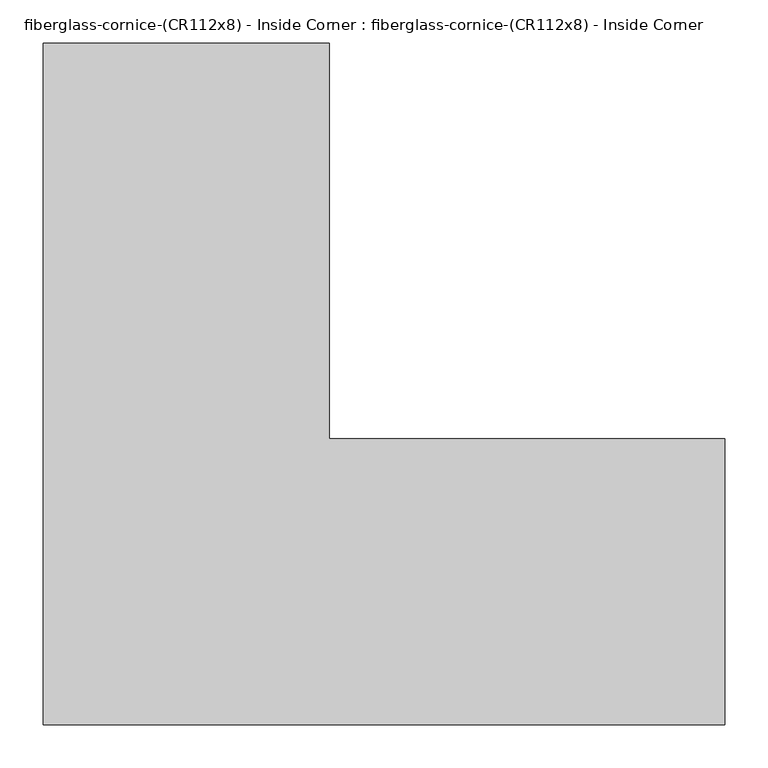
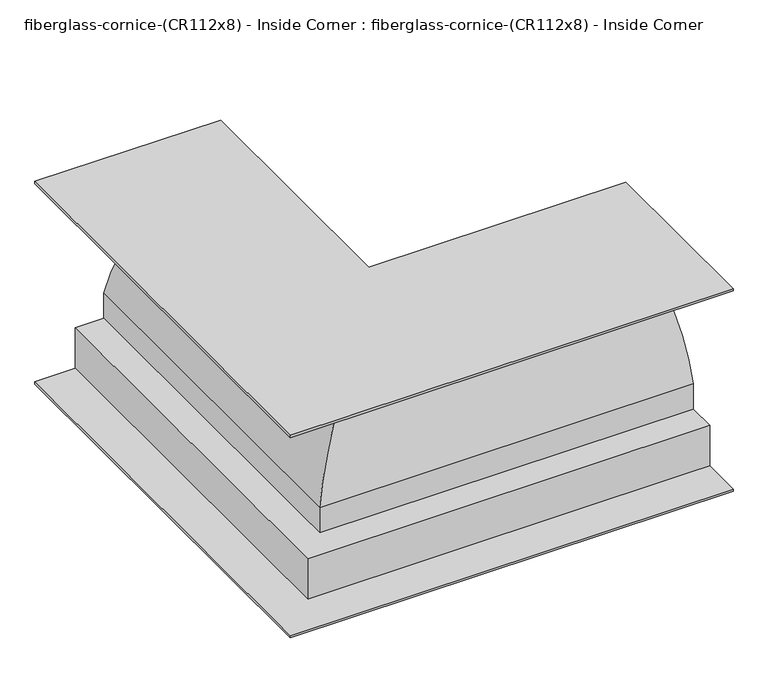
"""IFC4 building model written with IfcOpenShell, lengths in millimetres: furniture geometry, fiberglass-cornice-(CR112x8) - Inside Corner : fiberglass-cornice-(CR112x8) - Inside Corner."""

from ifc_helpers import new_model, si_unit, frame, origin, place, context, project, spatial, polyline, circle_curve, ellipse_curve, source, transform, mapped, element, save
from ifc_brep_helpers import plane_surface, cylinder_surface, revolved_surface, advanced_brep


def fiberglass_cornice_cr112x8_inside_corner_fiberglass_cornice_dae7f915(model_context):
    return source(origin(), model_context, "Body", "AdvancedBrep", [
        advanced_brep(
        [(-393.6999938, 888.603125, 326.0724904), (-393.6999938, 888.603125, 330.1999904), (-63.4999938, 888.603125, 330.1999904), (-63.4999938, 888.603125, 228.5999904), (-266.6999938, 888.603125, 76.1999904), (-266.6999938, 888.603125, 25.3999904), (-317.4999938, 888.603125, 25.3999904), (-317.4999938, 888.603125, -50.8000096), (-393.6999938, 888.603125, -50.8000096), (-393.6999938, 888.603125, -46.6725096), (-321.6274938, 888.603125, -46.6725096), (-321.6274938, 888.603125, 29.5274904), (-270.8274938, 888.603125, 29.5274904), (-270.8274938, 888.603125, 76.7223809), (-67.6274938, 888.603125, 232.8126721), (-67.6274938, 888.603125, 326.0724904), (393.6999938, 101.203125, 326.0724904), (393.6999938, 427.275625, 326.0724904), (393.6999938, 427.275625, 232.8126721), (393.6999938, 224.075625, 76.7223809), (393.6999938, 224.075625, 29.5274904), (393.6999938, 173.275625, 29.5274904), (393.6999938, 173.275625, -46.6725096), (393.6999938, 101.203125, -46.6725096), (393.6999938, 101.203125, -50.8000096), (393.6999938, 177.403125, -50.8000096), (393.6999938, 177.403125, 25.3999904), (393.6999938, 228.203125, 25.3999904), (393.6999938, 228.203125, 76.1999904), (393.6999938, 431.403125, 228.5999904), (393.6999938, 431.403125, 330.1999904), (393.6999938, 101.203125, 330.1999904), (-393.6999938, 101.203125, 326.0724904), (-393.6999938, 101.203125, 330.1999904), (-63.4999938, 431.403125, 330.1999904), (-63.4999938, 431.403125, 228.5999904), (-266.6999938, 228.203125, 76.1999904), (-266.6999938, 228.203125, 25.3999904), (-317.4999938, 177.403125, 25.3999904), (-317.4999938, 177.403125, -50.8000096), (-393.6999938, 101.203125, -50.8000096), (-393.6999938, 101.203125, -46.6725096), (-321.6274938, 173.275625, -46.6725096), (-321.6274938, 173.275625, 29.5274904), (-270.8274938, 224.075625, 29.5274904), (-270.8274938, 224.075625, 76.7223809), (-67.6274938, 427.275625, 232.8126721), (-67.6274938, 427.275625, 326.0724904)],
        [
            (0, 1),
            (1, 2),
            (2, 3),
            (3, 4, circle_curve(frame((-69.7500782, 888.603125, 25.2667695), z_axis=(0.0, -1.0, 0.0), x_axis=(1.0, 0.0, 0.0)), 203.4292562)),
            (4, 5),
            (5, 6),
            (6, 7),
            (7, 8),
            (8, 9),
            (9, 10),
            (10, 11),
            (11, 12),
            (12, 13),
            (13, 14, circle_curve(frame((-69.7500782, 888.603125, 25.2667695), z_axis=(0.0, 1.0, 0.0), x_axis=(1.0, 0.0, 0.0)), 207.5567562)),
            (14, 15),
            (15, 0),
            (16, 17),
            (17, 18),
            (18, 19, circle_curve(frame((393.6999938, 425.1530407, 25.2667695), z_axis=(1.0, 0.0, 0.0), x_axis=(0.0, 1.0, 0.0)), 207.5567562)),
            (19, 20),
            (20, 21),
            (21, 22),
            (22, 23),
            (23, 24),
            (24, 25),
            (25, 26),
            (26, 27),
            (27, 28),
            (28, 29, circle_curve(frame((393.6999938, 425.1530407, 25.2667695), z_axis=(-1.0, 0.0, 0.0), x_axis=(0.0, 1.0, 0.0)), 203.4292562)),
            (29, 30),
            (30, 31),
            (31, 16),
            (0, 32),
            (32, 33),
            (33, 1),
            (33, 31),
            (30, 34),
            (34, 2),
            (34, 35),
            (35, 3),
            (35, 36, ellipse_curve(frame((-69.7500782, 425.1530407, 25.2667695), z_axis=(0.7071067811865475, -0.7071067811865475, 0.0), x_axis=(-0.7071067811865474, -0.7071067811865476, 0.0)), 287.6924131, 203.4292562)),
            (36, 4),
            (36, 37),
            (37, 5),
            (37, 27),
            (26, 38),
            (38, 6),
            (38, 39),
            (39, 7),
            (39, 25),
            (24, 40),
            (40, 8),
            (40, 41),
            (41, 9),
            (41, 23),
            (22, 42),
            (42, 10),
            (42, 43),
            (43, 11),
            (43, 21),
            (20, 44),
            (44, 12),
            (44, 45),
            (45, 13),
            (45, 46, ellipse_curve(frame((-69.7500782, 425.1530407, 25.2667695), z_axis=(-0.7071067811865475, 0.7071067811865475, 0.0), x_axis=(0.7071067811865474, 0.7071067811865476, 0.0)), 293.5295796, 207.5567562)),
            (46, 14),
            (46, 47),
            (47, 15),
            (47, 17),
            (16, 32),
            (29, 35),
            (28, 36),
            (19, 45),
            (18, 46),
        ],
        [
            plane_surface(frame((-393.6999938, 888.603125, 330.1999904), z_axis=(0.0, 1.0, 0.0), x_axis=(0.0, 0.0, 1.0))),
            plane_surface(frame((393.6999938, 101.203125, 330.1999904), z_axis=(1.0, 0.0, 0.0), x_axis=(0.0, 0.0, 1.0))),
            plane_surface(frame((-393.6999938, 888.603125, 326.0724904), z_axis=(-1.0, 0.0, 0.0), x_axis=(0.0, -1.0, 0.0))),
            plane_surface(frame((-393.6999938, 888.603125, 330.1999904), z_axis=(0.0, 0.0, 1.0), x_axis=(0.0, -1.0, 0.0))),
            plane_surface(frame((-63.4999938, 888.603125, 330.1999904), z_axis=(1.0, 0.0, 0.0), x_axis=(0.0, -1.0, 0.0))),
            revolved_surface(polyline([(133.67917799999998, 221.7237845010685, 25.2667695), (133.67917799999998, 888.603125, 25.2667695)]), (-69.7500782, 888.603125, 25.2667695), (0.0, -1.0, 0.0)),
            plane_surface(frame((-266.6999938, 888.603125, 76.1999904), z_axis=(1.0, 0.0, 0.0), x_axis=(0.0, -1.0, 0.0))),
            plane_surface(frame((-266.6999938, 888.603125, 25.3999904), z_axis=(0.0, 0.0, -1.0), x_axis=(0.0, -1.0, 0.0))),
            plane_surface(frame((-317.4999938, 888.603125, 25.3999904), z_axis=(1.0, 0.0, 0.0), x_axis=(0.0, -1.0, 0.0))),
            plane_surface(frame((-317.4999938, 888.603125, -50.8000096), z_axis=(0.0, 0.0, -1.0), x_axis=(0.0, -1.0, 0.0))),
            plane_surface(frame((-393.6999938, 888.603125, -50.8000096), z_axis=(-1.0, 0.0, 0.0), x_axis=(0.0, -1.0, 0.0))),
            plane_surface(frame((-393.6999938, 888.603125, -46.6725096), z_axis=(0.0, 0.0, 1.0), x_axis=(0.0, -1.0, 0.0))),
            plane_surface(frame((-321.6274938, 888.603125, -46.6725096), z_axis=(-1.0, 0.0, 0.0), x_axis=(0.0, -1.0, 0.0))),
            plane_surface(frame((-321.6274938, 888.603125, 29.5274904), z_axis=(0.0, 0.0, 1.0), x_axis=(0.0, -1.0, 0.0))),
            plane_surface(frame((-270.8274938, 888.603125, 29.5274904), z_axis=(-1.0, 0.0, 0.0), x_axis=(0.0, -1.0, 0.0))),
            cylinder_surface(frame((-69.7500782, 888.603125, 25.2667695), z_axis=(0.0, 1.0, 0.0), x_axis=(1.0, 0.0, 0.0)), 207.5567562),
            plane_surface(frame((-67.6274938, 888.603125, 232.8126721), z_axis=(-1.0, 0.0, 0.0), x_axis=(0.0, -1.0, 0.0))),
            plane_surface(frame((-67.6274938, 888.603125, 326.0724904), z_axis=(0.0, 0.0, -1.0), x_axis=(0.0, -1.0, 0.0))),
            plane_surface(frame((-393.6999938, 101.203125, 326.0724904), z_axis=(0.0, -1.0, 0.0), x_axis=(1.0, 0.0, 0.0))),
            plane_surface(frame((-63.4999938, 431.403125, 330.1999904), z_axis=(0.0, 1.0, 0.0), x_axis=(1.0, 0.0, 0.0))),
            revolved_surface(polyline([(393.6999938, 628.5822969000001, 25.2667695), (-273.1793343989315, 628.5822969000001, 25.2667695)]), (-393.6999938, 425.1530407, 25.2667695), (1.0, 0.0, 0.0)),
            plane_surface(frame((-266.6999938, 228.203125, 76.1999904), z_axis=(0.0, 1.0, 0.0), x_axis=(1.0, 0.0, 0.0))),
            plane_surface(frame((-317.4999938, 177.403125, 25.3999904), z_axis=(0.0, 1.0, 0.0), x_axis=(1.0, 0.0, 0.0))),
            plane_surface(frame((-393.6999938, 101.203125, -50.8000096), z_axis=(0.0, -1.0, 0.0), x_axis=(1.0, 0.0, 0.0))),
            plane_surface(frame((-321.6274938, 173.275625, -46.6725096), z_axis=(0.0, -1.0, 0.0), x_axis=(1.0, 0.0, 0.0))),
            plane_surface(frame((-270.8274938, 224.075625, 29.5274904), z_axis=(0.0, -1.0, 0.0), x_axis=(1.0, 0.0, 0.0))),
            cylinder_surface(frame((-393.6999938, 425.1530407, 25.2667695), z_axis=(-1.0, 0.0, 0.0), x_axis=(0.0, 1.0, 0.0)), 207.5567562),
            plane_surface(frame((-67.6274938, 427.275625, 232.8126721), z_axis=(0.0, -1.0, 0.0), x_axis=(1.0, 0.0, 0.0))),
        ],
        [
            (0, [[1, 2, 3, 4, 5, 6, 7, 8, 9, 10, 11, 12, 13, 14, 15, 16]]),
            (1, [[17, 18, 19, 20, 21, 22, 23, 24, 25, 26, 27, 28, 29, 30, 31, 32]]),
            (2, [[-1, 33, 34, 35]]),
            (3, [[-2, -35, 36, -31, 37, 38]]),
            (4, [[-3, -38, 39, 40]]),
            (5, [[-4, -40, 41, 42]]),
            (6, [[-5, -42, 43, 44]]),
            (7, [[-6, -44, 45, -27, 46, 47]]),
            (8, [[-7, -47, 48, 49]]),
            (9, [[-8, -49, 50, -25, 51, 52]]),
            (10, [[-9, -52, 53, 54]]),
            (11, [[-10, -54, 55, -23, 56, 57]]),
            (12, [[-11, -57, 58, 59]]),
            (13, [[-12, -59, 60, -21, 61, 62]]),
            (14, [[-13, -62, 63, 64]]),
            (15, [[-14, -64, 65, 66]]),
            (16, [[-15, -66, 67, 68]]),
            (17, [[-16, -68, 69, -17, 70, -33]]),
            (18, [[-34, -70, -32, -36]]),
            (19, [[-39, -37, -30, 71]]),
            (20, [[-41, -71, -29, 72]]),
            (21, [[-43, -72, -28, -45]]),
            (22, [[-48, -46, -26, -50]]),
            (23, [[-53, -51, -24, -55]]),
            (24, [[-58, -56, -22, -60]]),
            (25, [[-63, -61, -20, 73]]),
            (26, [[-65, -73, -19, 74]]),
            (27, [[-67, -74, -18, -69]]),
        ],
    ),
    ])


if __name__ == "__main__":
    model = new_model("IFC4")
    model_context = context("Model", 3, world=origin())
    ifc_project = project(units=[si_unit("LENGTHUNIT", "METRE", prefix="MILLI")], contexts=[model_context])
    site = spatial("IfcSite", under=ifc_project)
    building = spatial("IfcBuilding", under=site)
    placement = place(None, origin())
    fiberglass_cornice_cr112x8_inside_corner_fiberglass_cornice_shape = fiberglass_cornice_cr112x8_inside_corner_fiberglass_cornice_dae7f915(model_context)
    element("IfcFurniture", 1, ObjectType="fiberglass-cornice-(CR112x8) - Inside Corner : fiberglass-cornice-(CR112x8) - Inside Corner", at=placement, inside=building, context=model_context, shape_type="MappedRepresentation", body=[
        mapped(fiberglass_cornice_cr112x8_inside_corner_fiberglass_cornice_shape, transform((0.0, 0.0, 0.0), x_axis=(1.0, 0.0, 0.0), y_axis=(0.0, 1.0, 0.0), z_axis=(0.0, 0.0, 1.0))),
    ])
    save(model, "model.ifc")
